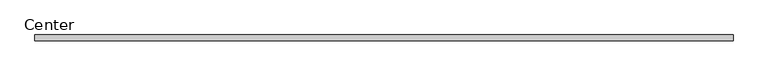
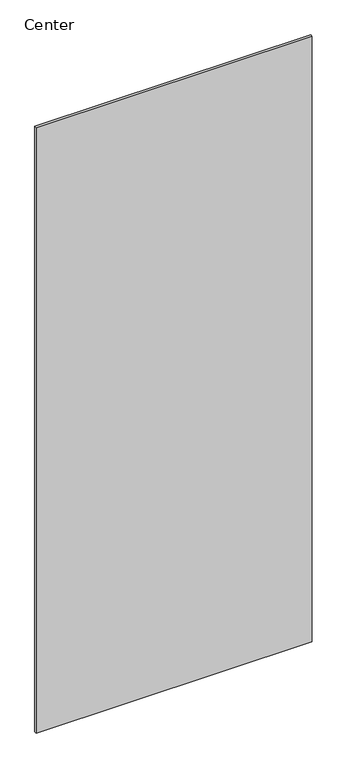
"""IFC4 building model written with IfcOpenShell, lengths in millimetres: plate geometry, Center."""

import ifcopenshell
import ifcopenshell.guid

model = None  # the IFC model being written
_history = None  # IfcOwnerHistory: only IFC2X3 demands one
_inside = {}  # id of a spatial element -> (the spatial element, [elements in it])
_under = {}  # id of a project, library or spatial element -> (it, [spatial elements below it])
_declared = {}  # id of a project -> (the project, [libraries it declares])
_typed = {}  # id of a type object -> (the type object, [elements of that type])
_made_of = {}  # id of a material, layer set ... -> (it, [elements and type objects made of it])


def new_model(schema):
    """Start an empty IFC model of exactly this schema.

    Asked for "IFC4X3", IfcOpenShell would pick the latest addendum, in which some entities
    have other attributes; the version numbers below select the first issue.
    IFC2X3 requires an IfcOwnerHistory on every rooted entity: one is made here for all.
    """
    global model, _history
    if schema == "IFC4X3":
        model = ifcopenshell.file(schema_version=(4, 3, 0, 0))
    else:
        model = ifcopenshell.file(schema=schema)
    _inside.clear()
    _under.clear()
    _declared.clear()
    _typed.clear()
    _made_of.clear()
    _history = None
    if model.schema == "IFC2X3":
        org = make("IfcOrganization", Name="unknown")
        user = make(
            "IfcPersonAndOrganization",
            ThePerson=make("IfcPerson", FamilyName="unknown"),
            TheOrganization=org,
        )
        app = make(
            "IfcApplication",
            ApplicationDeveloper=org,
            Version="unknown",
            ApplicationFullName="unknown",
            ApplicationIdentifier="unknown",
        )
        _history = make(
            "IfcOwnerHistory",
            OwningUser=user,
            OwningApplication=app,
            ChangeAction="ADDED",
            CreationDate=0,
        )
    return model


def make(cls, **values):
    """One entity of the class cls with the attributes given. An attribute that is None is left unset."""
    return model.create_entity(
        cls, **{name: value for name, value in values.items() if value is not None}
    )


def rooted(cls, **values):
    """An entity with a GlobalId (a new one), such as an element, a storey or a relation."""
    return make(cls, GlobalId=ifcopenshell.guid.new(), OwnerHistory=_history, **values)


def si_unit(unit_type, name, prefix=None):
    """IfcSIUnit, for example si_unit("LENGTHUNIT", "METRE", prefix="MILLI")."""
    return make("IfcSIUnit", UnitType=unit_type, Prefix=prefix, Name=name)


def assignment(units):
    """IfcUnitAssignment: the units of a project."""
    return None if units is None else make("IfcUnitAssignment", Units=units)


def point(xyz):
    """IfcCartesianPoint."""
    return None if xyz is None else make("IfcCartesianPoint", Coordinates=xyz)


def direction(xyz):
    """IfcDirection."""
    return None if xyz is None else make("IfcDirection", DirectionRatios=xyz)


def frame(location, z_axis=None, x_axis=None):
    """IfcAxis2Placement3D, a coordinate frame: its origin and axes. An axis left out is left unset."""
    return make(
        "IfcAxis2Placement3D",
        Location=point(location),
        Axis=direction(z_axis),
        RefDirection=direction(x_axis),
    )


def origin():
    """The frame at (0, 0, 0) with its axes left unset."""
    return frame((0.0, 0.0, 0.0))


def place(relative_to, where):
    """IfcLocalPlacement: puts the frame where relative to a parent placement (None: the world)."""
    return make(
        "IfcLocalPlacement", PlacementRelTo=relative_to, RelativePlacement=where
    )


def context(
    kind, dimensions, precision=None, world=None, true_north=None, identifier=None
):
    """IfcGeometricRepresentationContext, for example the 3D "Model" context."""
    return make(
        "IfcGeometricRepresentationContext",
        ContextIdentifier=identifier,
        ContextType=kind,
        CoordinateSpaceDimension=dimensions,
        Precision=precision,
        WorldCoordinateSystem=world,
        TrueNorth=true_north,
    )


def project(units=None, contexts=None):
    """IfcProject with its units and contexts."""
    return rooted(
        "IfcProject",
        Name="project",
        RepresentationContexts=contexts,
        UnitsInContext=assignment(units),
    )


def spatial(cls, under=None, at=None, **own):
    """A site, building, storey or space (cls), placed at a placement, below another one or the project."""
    s = rooted(cls, ObjectPlacement=at, **own)
    if under is not None:
        _under.setdefault(under.id(), (under, []))[1].append(s)
    return s


def polyline(points):
    """IfcPolyline through the points."""
    return make("IfcPolyline", Points=[point(p) for p in points])


def outline(outer, holes=None, kind="AREA"):
    """IfcArbitraryClosedProfileDef: a profile drawn as a closed curve; with holes, ...WithVoids."""
    if holes is None:
        return make("IfcArbitraryClosedProfileDef", ProfileType=kind, OuterCurve=outer)
    return make(
        "IfcArbitraryProfileDefWithVoids",
        ProfileType=kind,
        OuterCurve=outer,
        InnerCurves=holes,
    )


def extrude(swept, where, along, depth):
    """IfcExtrudedAreaSolid: the profile swept, set in the frame where, extruded along a direction by depth."""
    return make(
        "IfcExtrudedAreaSolid",
        SweptArea=swept,
        Position=where,
        ExtrudedDirection=direction(along),
        Depth=depth,
    )


def shape(context_of_items, identifier, shape_type, items):
    """IfcShapeRepresentation: the items that make up one representation, for example the "Body"."""
    return make(
        "IfcShapeRepresentation",
        ContextOfItems=context_of_items,
        RepresentationIdentifier=identifier,
        RepresentationType=shape_type,
        Items=items,
    )


def source(mapping_origin, context_of_items, identifier, shape_type, items):
    """IfcRepresentationMap: a shape defined once, which mapped items show again and again."""
    return make(
        "IfcRepresentationMap",
        MappingOrigin=mapping_origin,
        MappedRepresentation=shape(context_of_items, identifier, shape_type, items),
    )


def transform(
    local_origin,
    x_axis=None,
    y_axis=None,
    z_axis=None,
    scale=None,
    scale2=None,
    scale3=None,
    uniform=True,
):
    """IfcCartesianTransformationOperator3D, or its non-uniform kind. x_axis, y_axis, z_axis: its Axis1, 2, 3."""
    if uniform:
        return make(
            "IfcCartesianTransformationOperator3D",
            Axis1=direction(x_axis),
            Axis2=direction(y_axis),
            LocalOrigin=point(local_origin),
            Scale=scale,
            Axis3=direction(z_axis),
        )
    return make(
        "IfcCartesianTransformationOperator3DnonUniform",
        Axis1=direction(x_axis),
        Axis2=direction(y_axis),
        LocalOrigin=point(local_origin),
        Scale=scale,
        Axis3=direction(z_axis),
        Scale2=scale2,
        Scale3=scale3,
    )


def mapped(mapping_source, mapping_target):
    """IfcMappedItem: shows the shape of a source again, moved by a transform."""
    return make(
        "IfcMappedItem", MappingSource=mapping_source, MappingTarget=mapping_target
    )


def made_of(thing, what):
    """Note that an element or type object is made of a material, layer set ...; save() writes the relation."""
    if what is not None:
        _made_of.setdefault(what.id(), (what, []))[1].append(thing)
    return thing


def element(
    cls,
    number,
    at=None,
    inside=None,
    cuts=None,
    type_object=None,
    material=None,
    context=None,
    identifier="Body",
    shape_type=None,
    held_by="IfcProductDefinitionShape",
    body=None,
    shapes=None,
    **own,
):
    """One element of the class cls, such as IfcWall. Its Tag is "e" and its number.

    at: its placement. inside: the storey or other place that contains it. cuts: it is an
    opening in that element (IfcRelVoidsElement). A single representation is given by context,
    identifier, shape_type and body (its items); several are given by shapes. held_by: the class
    of the entity that holds the representations. save() writes the other relations.
    """
    e = rooted(cls, Tag="e%d" % number, ObjectPlacement=at, **own)
    if body is not None:
        shapes = [shape(context, identifier, shape_type, body)]
    if shapes is not None:
        e.Representation = make(held_by, Representations=shapes)
    if inside is not None:
        _inside.setdefault(inside.id(), (inside, []))[1].append(e)
    if cuts is not None:
        rooted(
            "IfcRelVoidsElement", RelatingBuildingElement=cuts, RelatedOpeningElement=e
        )
    if type_object is not None:
        _typed.setdefault(type_object.id(), (type_object, []))[1].append(e)
    return made_of(e, material)


def aggregate(whole, parts):
    """IfcRelAggregates: a whole, such as a stair, and the parts it consists of."""
    return rooted("IfcRelAggregates", RelatingObject=whole, RelatedObjects=parts)


def save(model, path):
    """Write the relations noted so far, then the file.

    IfcRelAggregates (storeys below a building ...), IfcRelContainedInSpatialStructure (elements
    in a storey), IfcRelDefinesByType, IfcRelAssociatesMaterial and IfcRelDeclares: one each for
    every whole, place, type object, material and project.
    """
    for whole, parts in _under.values():
        aggregate(whole, parts)
    for where, things in _inside.values():
        rooted(
            "IfcRelContainedInSpatialStructure",
            RelatedElements=things,
            RelatingStructure=where,
        )
    for kind, things in _typed.values():
        rooted("IfcRelDefinesByType", RelatedObjects=things, RelatingType=kind)
    for what, things in _made_of.values():
        rooted("IfcRelAssociatesMaterial", RelatedObjects=things, RelatingMaterial=what)
    for by, libraries in _declared.values():
        rooted("IfcRelDeclares", RelatingContext=by, RelatedDefinitions=libraries)
    model.write(path)


def center_6dbcd48f(model_context):
    return source(origin(), model_context, "Body", "SweptSolid", [
        extrude(outline(polyline([(570.3249998, 4.7625), (570.3249998, -4.7625), (-579.8499998, -4.7625), (-579.8499998, 4.7625), (570.3249998, 4.7625)])), frame((0.0, 0.0, 31.75), z_axis=(0.0, 0.0, 1.0), x_axis=(1.0, 0.0, 0.0)), (0.0, 0.0, 1.0), 2666.4999996),
    ])


if __name__ == "__main__":
    model = new_model("IFC4")
    model_context = context("Model", 3, world=origin())
    ifc_project = project(units=[si_unit("LENGTHUNIT", "METRE", prefix="MILLI")], contexts=[model_context])
    site = spatial("IfcSite", under=ifc_project)
    building = spatial("IfcBuilding", under=site)
    placement = place(None, origin())
    center_shape = center_6dbcd48f(model_context)
    element("IfcPlate", 1, ObjectType="Center", at=placement, inside=building, context=model_context, shape_type="MappedRepresentation", body=[
        mapped(center_shape, transform((0.0, 0.0, 0.0), x_axis=(1.0, 0.0, 0.0), y_axis=(0.0, 1.0, 0.0), z_axis=(0.0, 0.0, 1.0))),
    ])
    save(model, "model.ifc")
